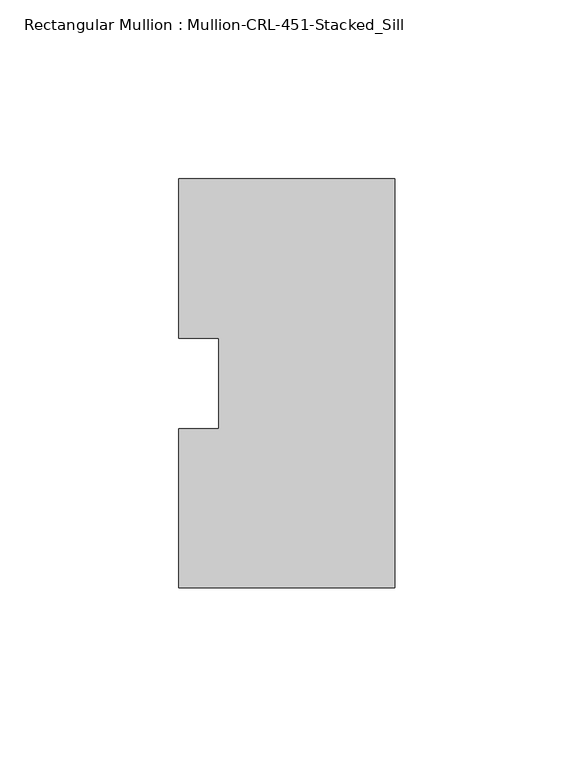
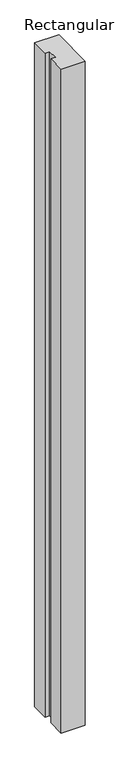
"""IFC4 building model written with IfcOpenShell, lengths in millimetres: member geometry, Rectangular Mullion : Mullion-CRL-451-Stacked_Sill."""

from ifc_helpers import new_model, si_unit, frame, origin, place, context, project, spatial, polyline, outline, extrude, source, transform, mapped, element, save


def rectangular_mullion_mullion_crl_451_stacked_sill_2abb9f52(model_context):
    return source(origin(), model_context, "Body", "SweptSolid", [
        extrude(outline(polyline([(0.0, -57.15), (-60.325, -57.15), (-60.325, -12.7), (-49.2125, -12.7), (-49.2125, 12.7), (-60.325, 12.7), (-60.325, 57.15), (0.0, 57.15), (0.0, -57.15)])), frame((0.0, 0.0, -1752.6), z_axis=(0.0, 0.0, 1.0), x_axis=(1.0, 0.0, 0.0)), (0.0, 0.0, 1.0), 1752.6),
    ])


if __name__ == "__main__":
    model = new_model("IFC4")
    model_context = context("Model", 3, world=origin())
    ifc_project = project(units=[si_unit("LENGTHUNIT", "METRE", prefix="MILLI")], contexts=[model_context])
    site = spatial("IfcSite", under=ifc_project)
    building = spatial("IfcBuilding", under=site)
    placement = place(None, origin())
    rectangular_mullion_mullion_crl_451_stacked_sill_shape = rectangular_mullion_mullion_crl_451_stacked_sill_2abb9f52(model_context)
    element("IfcMember", 1, ObjectType="Rectangular Mullion : Mullion-CRL-451-Stacked_Sill", at=placement, inside=building, context=model_context, shape_type="MappedRepresentation", body=[
        mapped(rectangular_mullion_mullion_crl_451_stacked_sill_shape, transform((0.0, 0.0, 0.0), x_axis=(1.0, 0.0, 0.0), y_axis=(0.0, 1.0, 0.0), z_axis=(0.0, 0.0, 1.0))),
    ])
    save(model, "model.ifc")
